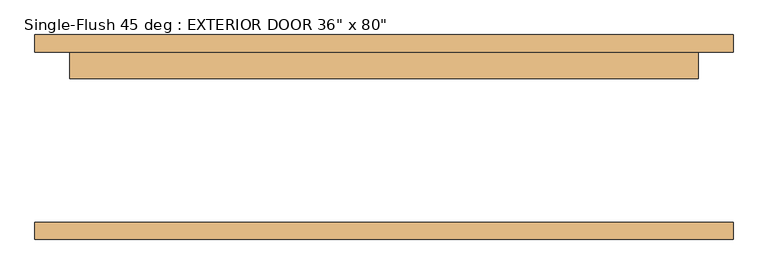
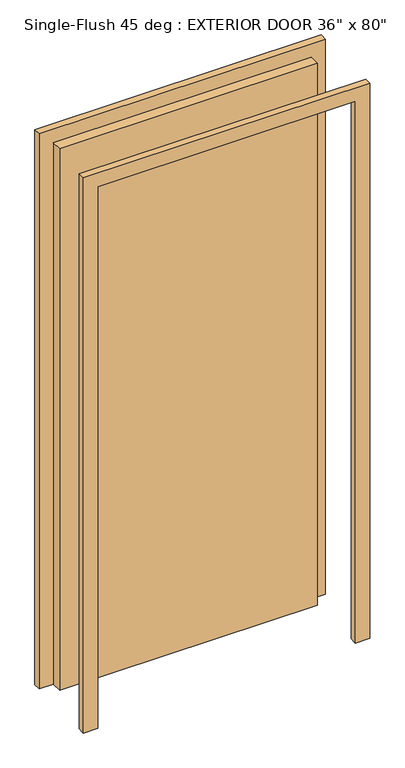
"""IFC4 building model written with IfcOpenShell, lengths in millimetres: door geometry."""

from ifc_helpers import new_model, si_unit, frame, origin, origin_with_axes, place, context, project, spatial, polyline, outline, extrude, source, transform, mapped, element, save


def door_ce4f153f(model_context):
    return source(origin(), model_context, "Body", "SweptSolid", [
        extrude(outline(polyline([(457.2, 85.725), (-457.2, 85.725), (-457.2, 123.825), (457.2, 123.825), (457.2, 85.725)])), origin_with_axes(), (0.0, 0.0, 1.0), 2032.0),
        extrude(outline(polyline([(2082.8, -508.0), (0.0, -508.0), (0.0, -457.2), (2032.0, -457.2), (2032.0, 457.2), (0.0, 457.2), (0.0, 508.0), (2082.8, 508.0), (2082.8, -508.0)])), frame((0.0, 123.825, 0.0), z_axis=(0.0, 1.0, 0.0), x_axis=(0.0, 0.0, 1.0)), (0.0, 0.0, 1.0), 25.4),
        extrude(outline(polyline([(2082.8, 508.0), (2082.8, -508.0), (0.0, -508.0), (0.0, -457.2), (2032.0, -457.2), (2032.0, 457.2), (0.0, 457.2), (0.0, 508.0), (2082.8, 508.0)])), frame((0.0, -149.225, 0.0), z_axis=(0.0, 1.0, 0.0), x_axis=(0.0, 0.0, 1.0)), (0.0, 0.0, 1.0), 25.4),
    ])


if __name__ == "__main__":
    model = new_model("IFC4")
    model_context = context("Model", 3, world=origin())
    ifc_project = project(units=[si_unit("LENGTHUNIT", "METRE", prefix="MILLI")], contexts=[model_context])
    site = spatial("IfcSite", under=ifc_project)
    building = spatial("IfcBuilding", under=site)
    placement = place(None, origin())
    door_shape = door_ce4f153f(model_context)
    element("IfcDoor", 1, ObjectType="Single-Flush 45 deg : EXTERIOR DOOR 36\" x 80\"", at=placement, inside=building, context=model_context, shape_type="MappedRepresentation", body=[
        mapped(door_shape, transform((0.0, 0.0, 0.0), x_axis=(1.0, 0.0, 0.0), y_axis=(0.0, 1.0, 0.0), z_axis=(0.0, 0.0, 1.0))),
    ])
    save(model, "model.ifc")
